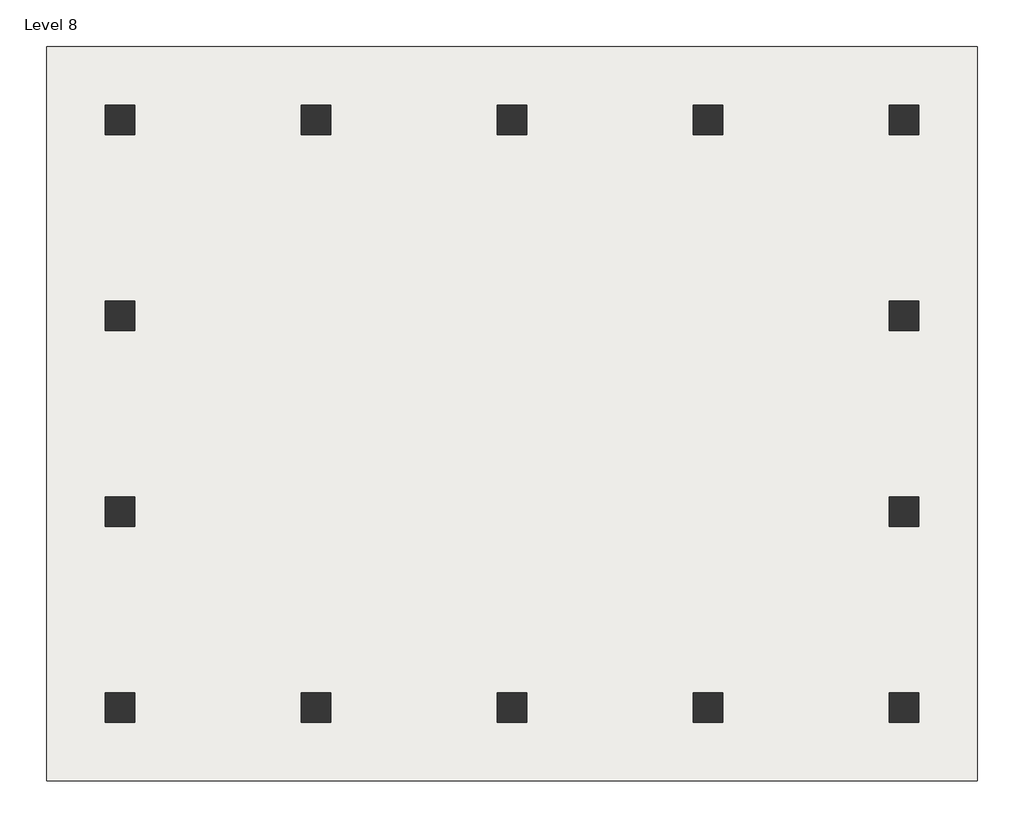
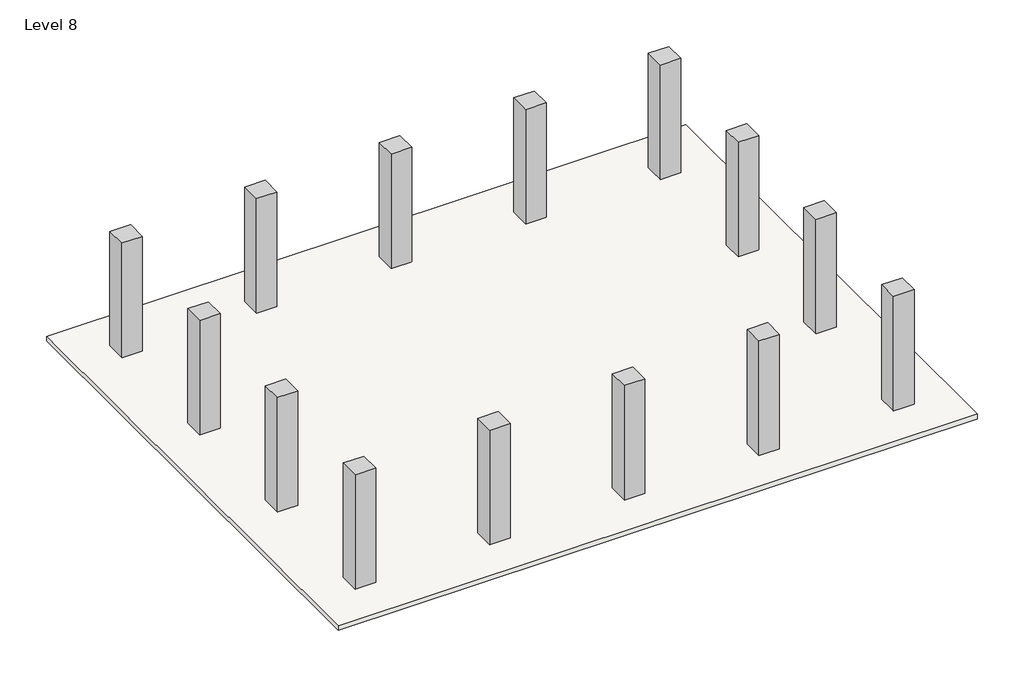
# One storey: 14 columns, 1 slab.
"""IFC4 building model written with IfcOpenShell, lengths in millimetres."""

from ifc_helpers import new_model, si_unit, frame, origin, place, context, project, spatial, polyline, outline, extrude, element, save

model = new_model("IFC4")

# Units and contexts
model_context = context("Model", 3, world=origin())
ifc_project = project(units=[si_unit("LENGTHUNIT", "METRE", prefix="MILLI")], contexts=[model_context])

# Site, building, storey
site = spatial("IfcSite", under=ifc_project)
building = spatial("IfcBuilding", under=site)
storey = spatial("IfcBuildingStorey", under=building, Name="Level 8", Elevation=30000.0)

# Columns
placement = place(None, origin())
element("IfcColumn", 1, ObjectType="M_Rectangular Column : 610 x 610mm", at=placement, inside=storey, context=model_context, shape_type="SweptSolid", body=[
    extrude(outline(polyline([(-5760.5268457, 4412.1335473), (-5760.5268457, 3802.1335473), (-6370.5268457, 3802.1335473), (-6370.5268457, 4412.1335473), (-5760.5268457, 4412.1335473)])), frame((0.0, 0.0, 30000.0), z_axis=(0.0, 0.0, 1.0), x_axis=(1.0, 0.0, 0.0)), (0.0, 0.0, 1.0), 3602.4366919),
])
element("IfcColumn", 2, ObjectType="M_Rectangular Column : 610 x 610mm", at=placement, inside=storey, context=model_context, shape_type="SweptSolid", body=[
    extrude(outline(polyline([(-1760.5268457, 4412.1335473), (-1760.5268457, 3802.1335473), (-2370.5268457, 3802.1335473), (-2370.5268457, 4412.1335473), (-1760.5268457, 4412.1335473)])), frame((0.0, 0.0, 30000.0), z_axis=(0.0, 0.0, 1.0), x_axis=(1.0, 0.0, 0.0)), (0.0, 0.0, 1.0), 3602.4366919),
])
element("IfcColumn", 3, ObjectType="M_Rectangular Column : 610 x 610mm", at=placement, inside=storey, context=model_context, shape_type="SweptSolid", body=[
    extrude(outline(polyline([(2239.4731543, 4412.1335473), (2239.4731543, 3802.1335473), (1629.4731543, 3802.1335473), (1629.4731543, 4412.1335473), (2239.4731543, 4412.1335473)])), frame((0.0, 0.0, 30000.0), z_axis=(0.0, 0.0, 1.0), x_axis=(1.0, 0.0, 0.0)), (0.0, 0.0, 1.0), 3602.4366919),
])
element("IfcColumn", 4, ObjectType="M_Rectangular Column : 610 x 610mm", at=placement, inside=storey, context=model_context, shape_type="SweptSolid", body=[
    extrude(outline(polyline([(6239.4731543, 4412.1335473), (6239.4731543, 3802.1335473), (5629.4731543, 3802.1335473), (5629.4731543, 4412.1335473), (6239.4731543, 4412.1335473)])), frame((0.0, 0.0, 30000.0), z_axis=(0.0, 0.0, 1.0), x_axis=(1.0, 0.0, 0.0)), (0.0, 0.0, 1.0), 3602.4366919),
])
element("IfcColumn", 5, ObjectType="M_Rectangular Column : 610 x 610mm", at=placement, inside=storey, context=model_context, shape_type="SweptSolid", body=[
    extrude(outline(polyline([(10239.4731543, 4412.1335473), (10239.4731543, 3802.1335473), (9629.4731543, 3802.1335473), (9629.4731543, 4412.1335473), (10239.4731543, 4412.1335473)])), frame((0.0, 0.0, 30000.0), z_axis=(0.0, 0.0, 1.0), x_axis=(1.0, 0.0, 0.0)), (0.0, 0.0, 1.0), 3602.4366919),
])
element("IfcColumn", 6, ObjectType="M_Rectangular Column : 610 x 610mm", at=placement, inside=storey, context=model_context, shape_type="SweptSolid", body=[
    extrude(outline(polyline([(10239.4731543, 412.1335473), (10239.4731543, -197.8664527), (9629.4731543, -197.8664527), (9629.4731543, 412.1335473), (10239.4731543, 412.1335473)])), frame((0.0, 0.0, 30000.0), z_axis=(0.0, 0.0, 1.0), x_axis=(1.0, 0.0, 0.0)), (0.0, 0.0, 1.0), 3602.4366919),
])
element("IfcColumn", 7, ObjectType="M_Rectangular Column : 610 x 610mm", at=placement, inside=storey, context=model_context, shape_type="SweptSolid", body=[
    extrude(outline(polyline([(10239.4731543, -3587.8664527), (10239.4731543, -4197.8664527), (9629.4731543, -4197.8664527), (9629.4731543, -3587.8664527), (10239.4731543, -3587.8664527)])), frame((0.0, 0.0, 30000.0), z_axis=(0.0, 0.0, 1.0), x_axis=(1.0, 0.0, 0.0)), (0.0, 0.0, 1.0), 3602.4366919),
])
element("IfcColumn", 8, ObjectType="M_Rectangular Column : 610 x 610mm", at=placement, inside=storey, context=model_context, shape_type="SweptSolid", body=[
    extrude(outline(polyline([(10239.4731543, -7587.8664527), (10239.4731543, -8197.8664527), (9629.4731543, -8197.8664527), (9629.4731543, -7587.8664527), (10239.4731543, -7587.8664527)])), frame((0.0, 0.0, 30000.0), z_axis=(0.0, 0.0, 1.0), x_axis=(1.0, 0.0, 0.0)), (0.0, 0.0, 1.0), 3602.4366919),
])
element("IfcColumn", 9, ObjectType="M_Rectangular Column : 610 x 610mm", at=placement, inside=storey, context=model_context, shape_type="SweptSolid", body=[
    extrude(outline(polyline([(6239.4731543, -7587.8664527), (6239.4731543, -8197.8664527), (5629.4731543, -8197.8664527), (5629.4731543, -7587.8664527), (6239.4731543, -7587.8664527)])), frame((0.0, 0.0, 30000.0), z_axis=(0.0, 0.0, 1.0), x_axis=(1.0, 0.0, 0.0)), (0.0, 0.0, 1.0), 3602.4366919),
])
element("IfcColumn", 10, ObjectType="M_Rectangular Column : 610 x 610mm", at=placement, inside=storey, context=model_context, shape_type="SweptSolid", body=[
    extrude(outline(polyline([(2239.4731543, -7587.8664527), (2239.4731543, -8197.8664527), (1629.4731543, -8197.8664527), (1629.4731543, -7587.8664527), (2239.4731543, -7587.8664527)])), frame((0.0, 0.0, 30000.0), z_axis=(0.0, 0.0, 1.0), x_axis=(1.0, 0.0, 0.0)), (0.0, 0.0, 1.0), 3602.4366919),
])
element("IfcColumn", 11, ObjectType="M_Rectangular Column : 610 x 610mm", at=placement, inside=storey, context=model_context, shape_type="SweptSolid", body=[
    extrude(outline(polyline([(-1760.5268457, -7587.8664527), (-1760.5268457, -8197.8664527), (-2370.5268457, -8197.8664527), (-2370.5268457, -7587.8664527), (-1760.5268457, -7587.8664527)])), frame((0.0, 0.0, 30000.0), z_axis=(0.0, 0.0, 1.0), x_axis=(1.0, 0.0, 0.0)), (0.0, 0.0, 1.0), 3602.4366919),
])
element("IfcColumn", 12, ObjectType="M_Rectangular Column : 610 x 610mm", at=placement, inside=storey, context=model_context, shape_type="SweptSolid", body=[
    extrude(outline(polyline([(-5760.5268457, -7587.8664527), (-5760.5268457, -8197.8664527), (-6370.5268457, -8197.8664527), (-6370.5268457, -7587.8664527), (-5760.5268457, -7587.8664527)])), frame((0.0, 0.0, 30000.0), z_axis=(0.0, 0.0, 1.0), x_axis=(1.0, 0.0, 0.0)), (0.0, 0.0, 1.0), 3602.4366919),
])
element("IfcColumn", 13, ObjectType="M_Rectangular Column : 610 x 610mm", at=placement, inside=storey, context=model_context, shape_type="SweptSolid", body=[
    extrude(outline(polyline([(-5760.5268457, -3587.8664527), (-5760.5268457, -4197.8664527), (-6370.5268457, -4197.8664527), (-6370.5268457, -3587.8664527), (-5760.5268457, -3587.8664527)])), frame((0.0, 0.0, 30000.0), z_axis=(0.0, 0.0, 1.0), x_axis=(1.0, 0.0, 0.0)), (0.0, 0.0, 1.0), 3602.4366919),
])
element("IfcColumn", 14, ObjectType="M_Rectangular Column : 610 x 610mm", at=placement, inside=storey, context=model_context, shape_type="SweptSolid", body=[
    extrude(outline(polyline([(-5760.5268457, 412.1335473), (-5760.5268457, -197.8664527), (-6370.5268457, -197.8664527), (-6370.5268457, 412.1335473), (-5760.5268457, 412.1335473)])), frame((0.0, 0.0, 30000.0), z_axis=(0.0, 0.0, 1.0), x_axis=(1.0, 0.0, 0.0)), (0.0, 0.0, 1.0), 3602.4366919),
])

# Slab
element("IfcSlab", 15, ObjectType="Generic 150mm", at=placement, inside=storey, context=model_context, shape_type="SweptSolid", body=[
    extrude(outline(polyline([(11434.4731543, 5607.1335473), (11434.4731543, -9392.8664527), (-7565.5268457, -9392.8664527), (-7565.5268457, 5607.1335473), (11434.4731543, 5607.1335473)])), frame((0.0, 0.0, 29850.0), z_axis=(0.0, 0.0, 1.0), x_axis=(1.0, 0.0, 0.0)), (0.0, 0.0, 1.0), 150.0),
])

save(model, "model.ifc")
